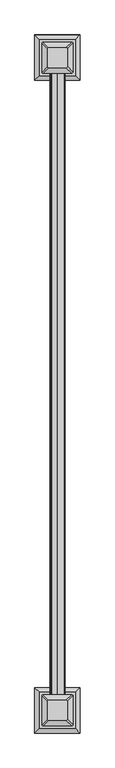
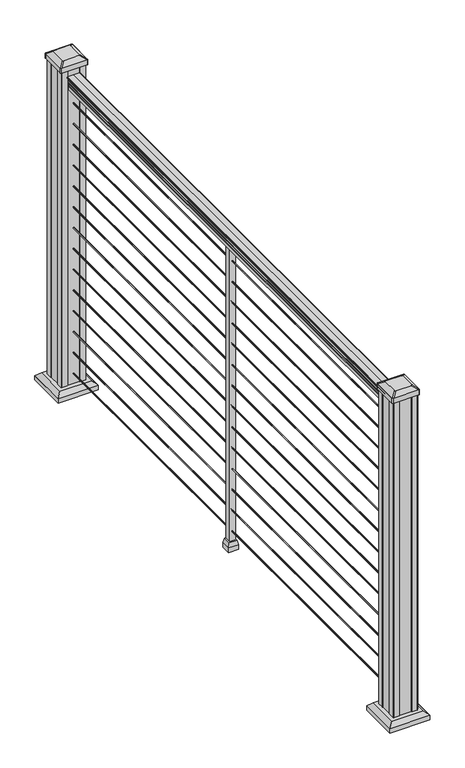
"""IFC4 building model written with IfcOpenShell, lengths in millimetres: railing geometry."""

from ifc_helpers import new_model, si_unit, point, frame, frame_2d, origin, origin_with_axes, place, context, project, spatial, polyline, circle_curve, trimmed, segment, composite_curve, outline, extrude, faceted_brep, source, transform, mapped, element, save
from ifc_brep_helpers import plane_surface, extruded_surface, advanced_brep


def railing_53ca7808(model_context):
    return source(origin(), model_context, "Body", "SolidModel", [
        extrude(outline(composite_curve([segment(trimmed(circle_curve(frame_2d((1090.8043297, 1987.4195636)), 1.2869144), [point((1090.8043297, 1986.1326492))], [point((1090.8043297, 1988.7064779))], False, "CARTESIAN"), True, "CONTINUOUS"), segment(polyline([(1090.8043297, 1988.7064779), (1080.147013, 1988.7064779), (1079.131013, 1987.6904779), (1066.8, 1987.6904779), (1066.8, 2019.4404779), (1079.2888283, 2019.4404779), (1080.3048283, 2018.4244779), (1090.8043297, 2018.4244779)]), True, "CONTINUOUS"), segment(trimmed(circle_curve(frame_2d((1090.8043297, 2019.7113923)), 1.2869144), [point((1090.8043297, 2018.4244779))], [point((1090.8043297, 2020.9983067))], False, "CARTESIAN"), True, "CONTINUOUS"), segment(polyline([(1090.8043297, 2020.9983067), (1092.692412, 2020.9983067)]), True, "CONTINUOUS"), segment(trimmed(circle_curve(frame_2d((1098.4506383, 2014.6835534)), 8.545951), [point((1092.692412, 2020.9983067))], [point((1094.2546695, 2022.128493))], False, "CARTESIAN"), True, "CONTINUOUS"), segment(trimmed(circle_curve(frame_2d((1097.8636577, 2015.1206164)), 7.882584), [point((1094.2546695, 2022.128493))], [point((1101.4726458, 2022.128493))], False, "CARTESIAN"), True, "CONTINUOUS"), segment(trimmed(circle_curve(frame_2d((1103.7112527, 2025.6339405)), 4.1592695), [point((1101.4726458, 2022.128493))], [point((1103.9060812, 2021.4792366))], True, "CARTESIAN"), True, "CONTINUOUS"), segment(trimmed(circle_curve(frame_2d((1103.6508864, 2026.921247)), 5.4479907), [point((1103.9060812, 2021.4792366))], [point((1108.2362083, 2023.9792366))], True, "CARTESIAN"), True, "CONTINUOUS"), segment(trimmed(circle_curve(frame_2d((1108.233395, 2025.6880886)), 1.7088543), [point((1108.2362083, 2023.9792366))], [point((1109.9157972, 2025.388579))], True, "CARTESIAN"), True, "CONTINUOUS"), segment(trimmed(circle_curve(frame_2d((1111.0205318, 2024.0711885)), 1.7192895), [point((1109.9157972, 2025.388579))], [point((1111.0205318, 2025.790478))], False, "CARTESIAN"), True, "CONTINUOUS"), segment(polyline([(1111.0205318, 2025.790478), (1112.3608158, 2025.7904779)]), True, "CONTINUOUS"), segment(trimmed(circle_curve(frame_2d((1112.3608158, 2024.2370307)), 1.5534472), [point((1112.3608158, 2025.7904779))], [point((1113.914263, 2024.2370307))], False, "CARTESIAN"), True, "CONTINUOUS"), segment(polyline([(1113.914263, 2024.2370307), (1113.914263, 2003.5654779), (1113.914263, 1982.8939252)]), True, "CONTINUOUS"), segment(trimmed(circle_curve(frame_2d((1112.3608158, 1982.8939252)), 1.5534472), [point((1113.914263, 1982.8939252))], [point((1112.3608158, 1981.3404779))], False, "CARTESIAN"), True, "CONTINUOUS"), segment(polyline([(1112.3608158, 1981.3404779), (1111.0205318, 1981.3404779)]), True, "CONTINUOUS"), segment(trimmed(circle_curve(frame_2d((1111.0205318, 1983.0597674)), 1.7192895), [point((1111.0205318, 1981.3404779))], [point((1109.9157972, 1981.7423769))], False, "CARTESIAN"), True, "CONTINUOUS"), segment(trimmed(circle_curve(frame_2d((1108.233395, 1981.4428673)), 1.7088543), [point((1109.9157972, 1981.7423769))], [point((1108.2362083, 1983.1517193))], True, "CARTESIAN"), True, "CONTINUOUS"), segment(trimmed(circle_curve(frame_2d((1103.6508864, 1980.2097088)), 5.4479907), [point((1108.2362083, 1983.1517193))], [point((1103.9060812, 1985.6517193))], True, "CARTESIAN"), True, "CONTINUOUS"), segment(trimmed(circle_curve(frame_2d((1103.7112527, 1981.4970154)), 4.1592695), [point((1103.9060812, 1985.6517193))], [point((1101.4726458, 1985.0024629))], True, "CARTESIAN"), True, "CONTINUOUS"), segment(trimmed(circle_curve(frame_2d((1097.8636577, 1992.0103395)), 7.882584), [point((1101.4726458, 1985.0024629))], [point((1094.2546695, 1985.0024629))], False, "CARTESIAN"), True, "CONTINUOUS"), segment(trimmed(circle_curve(frame_2d((1098.4506383, 1992.4474025)), 8.545951), [point((1094.2546695, 1985.0024629))], [point((1092.692412, 1986.1326492))], False, "CARTESIAN"), True, "CONTINUOUS"), segment(polyline([(1092.692412, 1986.1326492), (1090.8043297, 1986.1326492)]), True, "CONTINUOUS")], self_intersect=False)), frame((0.0, -97248.9733589, 0.0), z_axis=(0.0, 1.0, 0.0), x_axis=(0.0, 0.0, 1.0)), (0.0, 0.0, 1.0), 1828.8),
        extrude(outline(composite_curve([segment(trimmed(circle_curve(frame_2d((65.024, 2003.5654779)), 1.5875), [point((65.024, 2005.1529779))], [point((66.6115, 2003.5654779))], False, "CARTESIAN"), True, "CONTINUOUS"), segment(trimmed(circle_curve(frame_2d((65.024, 2003.5654779)), 1.5875), [point((66.6115, 2003.5654779))], [point((65.024, 2001.9779779))], False, "CARTESIAN"), True, "CONTINUOUS"), segment(trimmed(circle_curve(frame_2d((65.024, 2003.5654779)), 1.5875), [point((65.024, 2001.9779779))], [point((63.4365, 2003.5654779))], False, "CARTESIAN"), True, "CONTINUOUS"), segment(trimmed(circle_curve(frame_2d((65.024, 2003.5654779)), 1.5875), [point((63.4365, 2003.5654779))], [point((65.024, 2005.1529779))], False, "CARTESIAN"), True, "CONTINUOUS")], self_intersect=False)), frame((0.0, -97248.9733589, 0.0), z_axis=(0.0, 1.0, 0.0), x_axis=(0.0, 0.0, 1.0)), (0.0, 0.0, 1.0), 1828.8),
        extrude(outline(composite_curve([segment(trimmed(circle_curve(frame_2d((138.176, 2003.5654779)), 1.5875), [point((138.176, 2005.1529779))], [point((139.7635, 2003.5654779))], False, "CARTESIAN"), True, "CONTINUOUS"), segment(trimmed(circle_curve(frame_2d((138.176, 2003.5654779)), 1.5875), [point((139.7635, 2003.5654779))], [point((138.176, 2001.9779779))], False, "CARTESIAN"), True, "CONTINUOUS"), segment(trimmed(circle_curve(frame_2d((138.176, 2003.5654779)), 1.5875), [point((138.176, 2001.9779779))], [point((136.5885, 2003.5654779))], False, "CARTESIAN"), True, "CONTINUOUS"), segment(trimmed(circle_curve(frame_2d((138.176, 2003.5654779)), 1.5875), [point((136.5885, 2003.5654779))], [point((138.176, 2005.1529779))], False, "CARTESIAN"), True, "CONTINUOUS")], self_intersect=False)), frame((0.0, -97248.9733589, 0.0), z_axis=(0.0, 1.0, 0.0), x_axis=(0.0, 0.0, 1.0)), (0.0, 0.0, 1.0), 1828.8),
        extrude(outline(composite_curve([segment(trimmed(circle_curve(frame_2d((211.074, 2003.5654779)), 1.5875), [point((211.074, 2005.1529779))], [point((212.6615, 2003.5654779))], False, "CARTESIAN"), True, "CONTINUOUS"), segment(trimmed(circle_curve(frame_2d((211.074, 2003.5654779)), 1.5875), [point((212.6615, 2003.5654779))], [point((211.074, 2001.9779779))], False, "CARTESIAN"), True, "CONTINUOUS"), segment(trimmed(circle_curve(frame_2d((211.074, 2003.5654779)), 1.5875), [point((211.074, 2001.9779779))], [point((209.4865, 2003.5654779))], False, "CARTESIAN"), True, "CONTINUOUS"), segment(trimmed(circle_curve(frame_2d((211.074, 2003.5654779)), 1.5875), [point((209.4865, 2003.5654779))], [point((211.074, 2005.1529779))], False, "CARTESIAN"), True, "CONTINUOUS")], self_intersect=False)), frame((0.0, -97248.9733589, 0.0), z_axis=(0.0, 1.0, 0.0), x_axis=(0.0, 0.0, 1.0)), (0.0, 0.0, 1.0), 1828.8),
        extrude(outline(composite_curve([segment(trimmed(circle_curve(frame_2d((284.226, 2003.5654779)), 1.5875), [point((284.226, 2005.1529779))], [point((285.8135, 2003.5654779))], False, "CARTESIAN"), True, "CONTINUOUS"), segment(trimmed(circle_curve(frame_2d((284.226, 2003.5654779)), 1.5875), [point((285.8135, 2003.5654779))], [point((284.226, 2001.9779779))], False, "CARTESIAN"), True, "CONTINUOUS"), segment(trimmed(circle_curve(frame_2d((284.226, 2003.5654779)), 1.5875), [point((284.226, 2001.9779779))], [point((282.6385, 2003.5654779))], False, "CARTESIAN"), True, "CONTINUOUS"), segment(trimmed(circle_curve(frame_2d((284.226, 2003.5654779)), 1.5875), [point((282.6385, 2003.5654779))], [point((284.226, 2005.1529779))], False, "CARTESIAN"), True, "CONTINUOUS")], self_intersect=False)), frame((0.0, -97248.9733589, 0.0), z_axis=(0.0, 1.0, 0.0), x_axis=(0.0, 0.0, 1.0)), (0.0, 0.0, 1.0), 1828.8),
        extrude(outline(composite_curve([segment(trimmed(circle_curve(frame_2d((357.124, 2003.5654779)), 1.5875), [point((357.124, 2005.1529779))], [point((358.7115, 2003.5654779))], False, "CARTESIAN"), True, "CONTINUOUS"), segment(trimmed(circle_curve(frame_2d((357.124, 2003.5654779)), 1.5875), [point((358.7115, 2003.5654779))], [point((357.124, 2001.9779779))], False, "CARTESIAN"), True, "CONTINUOUS"), segment(trimmed(circle_curve(frame_2d((357.124, 2003.5654779)), 1.5875), [point((357.124, 2001.9779779))], [point((355.5365, 2003.5654779))], False, "CARTESIAN"), True, "CONTINUOUS"), segment(trimmed(circle_curve(frame_2d((357.124, 2003.5654779)), 1.5875), [point((355.5365, 2003.5654779))], [point((357.124, 2005.1529779))], False, "CARTESIAN"), True, "CONTINUOUS")], self_intersect=False)), frame((0.0, -97248.9733589, 0.0), z_axis=(0.0, 1.0, 0.0), x_axis=(0.0, 0.0, 1.0)), (0.0, 0.0, 1.0), 1828.8),
        extrude(outline(composite_curve([segment(trimmed(circle_curve(frame_2d((430.276, 2003.5654779)), 1.5875), [point((430.276, 2005.1529779))], [point((431.8635, 2003.5654779))], False, "CARTESIAN"), True, "CONTINUOUS"), segment(trimmed(circle_curve(frame_2d((430.276, 2003.5654779)), 1.5875), [point((431.8635, 2003.5654779))], [point((430.276, 2001.9779779))], False, "CARTESIAN"), True, "CONTINUOUS"), segment(trimmed(circle_curve(frame_2d((430.276, 2003.5654779)), 1.5875), [point((430.276, 2001.9779779))], [point((428.6885, 2003.5654779))], False, "CARTESIAN"), True, "CONTINUOUS"), segment(trimmed(circle_curve(frame_2d((430.276, 2003.5654779)), 1.5875), [point((428.6885, 2003.5654779))], [point((430.276, 2005.1529779))], False, "CARTESIAN"), True, "CONTINUOUS")], self_intersect=False)), frame((0.0, -97248.9733589, 0.0), z_axis=(0.0, 1.0, 0.0), x_axis=(0.0, 0.0, 1.0)), (0.0, 0.0, 1.0), 1828.8),
        extrude(outline(composite_curve([segment(trimmed(circle_curve(frame_2d((503.174, 2003.5654779)), 1.5875), [point((503.174, 2005.1529779))], [point((504.7615, 2003.5654779))], False, "CARTESIAN"), True, "CONTINUOUS"), segment(trimmed(circle_curve(frame_2d((503.174, 2003.5654779)), 1.5875), [point((504.7615, 2003.5654779))], [point((503.174, 2001.9779779))], False, "CARTESIAN"), True, "CONTINUOUS"), segment(trimmed(circle_curve(frame_2d((503.174, 2003.5654779)), 1.5875), [point((503.174, 2001.9779779))], [point((501.5865, 2003.5654779))], False, "CARTESIAN"), True, "CONTINUOUS"), segment(trimmed(circle_curve(frame_2d((503.174, 2003.5654779)), 1.5875), [point((501.5865, 2003.5654779))], [point((503.174, 2005.1529779))], False, "CARTESIAN"), True, "CONTINUOUS")], self_intersect=False)), frame((0.0, -97248.9733589, 0.0), z_axis=(0.0, 1.0, 0.0), x_axis=(0.0, 0.0, 1.0)), (0.0, 0.0, 1.0), 1828.8),
        extrude(outline(composite_curve([segment(trimmed(circle_curve(frame_2d((576.326, 2003.5654779)), 1.5875), [point((576.326, 2005.1529779))], [point((577.9135, 2003.5654779))], False, "CARTESIAN"), True, "CONTINUOUS"), segment(trimmed(circle_curve(frame_2d((576.326, 2003.5654779)), 1.5875), [point((577.9135, 2003.5654779))], [point((576.326, 2001.9779779))], False, "CARTESIAN"), True, "CONTINUOUS"), segment(trimmed(circle_curve(frame_2d((576.326, 2003.5654779)), 1.5875), [point((576.326, 2001.9779779))], [point((574.7385, 2003.5654779))], False, "CARTESIAN"), True, "CONTINUOUS"), segment(trimmed(circle_curve(frame_2d((576.326, 2003.5654779)), 1.5875), [point((574.7385, 2003.5654779))], [point((576.326, 2005.1529779))], False, "CARTESIAN"), True, "CONTINUOUS")], self_intersect=False)), frame((0.0, -97248.9733589, 0.0), z_axis=(0.0, 1.0, 0.0), x_axis=(0.0, 0.0, 1.0)), (0.0, 0.0, 1.0), 1828.8),
        extrude(outline(composite_curve([segment(trimmed(circle_curve(frame_2d((649.224, 2003.5654779)), 1.5875), [point((649.224, 2005.1529779))], [point((650.8115, 2003.5654779))], False, "CARTESIAN"), True, "CONTINUOUS"), segment(trimmed(circle_curve(frame_2d((649.224, 2003.5654779)), 1.5875), [point((650.8115, 2003.5654779))], [point((649.224, 2001.9779779))], False, "CARTESIAN"), True, "CONTINUOUS"), segment(trimmed(circle_curve(frame_2d((649.224, 2003.5654779)), 1.5875), [point((649.224, 2001.9779779))], [point((647.6365, 2003.5654779))], False, "CARTESIAN"), True, "CONTINUOUS"), segment(trimmed(circle_curve(frame_2d((649.224, 2003.5654779)), 1.5875), [point((647.6365, 2003.5654779))], [point((649.224, 2005.1529779))], False, "CARTESIAN"), True, "CONTINUOUS")], self_intersect=False)), frame((0.0, -97248.9733589, 0.0), z_axis=(0.0, 1.0, 0.0), x_axis=(0.0, 0.0, 1.0)), (0.0, 0.0, 1.0), 1828.8),
        extrude(outline(composite_curve([segment(trimmed(circle_curve(frame_2d((722.376, 2003.5654779)), 1.5875), [point((722.376, 2005.1529779))], [point((723.9635, 2003.5654779))], False, "CARTESIAN"), True, "CONTINUOUS"), segment(trimmed(circle_curve(frame_2d((722.376, 2003.5654779)), 1.5875), [point((723.9635, 2003.5654779))], [point((722.376, 2001.9779779))], False, "CARTESIAN"), True, "CONTINUOUS"), segment(trimmed(circle_curve(frame_2d((722.376, 2003.5654779)), 1.5875), [point((722.376, 2001.9779779))], [point((720.7885, 2003.5654779))], False, "CARTESIAN"), True, "CONTINUOUS"), segment(trimmed(circle_curve(frame_2d((722.376, 2003.5654779)), 1.5875), [point((720.7885, 2003.5654779))], [point((722.376, 2005.1529779))], False, "CARTESIAN"), True, "CONTINUOUS")], self_intersect=False)), frame((0.0, -97248.9733589, 0.0), z_axis=(0.0, 1.0, 0.0), x_axis=(0.0, 0.0, 1.0)), (0.0, 0.0, 1.0), 1828.8),
        extrude(outline(composite_curve([segment(trimmed(circle_curve(frame_2d((795.274, 2003.5654779)), 1.5875), [point((795.274, 2005.1529779))], [point((796.8615, 2003.5654779))], False, "CARTESIAN"), True, "CONTINUOUS"), segment(trimmed(circle_curve(frame_2d((795.274, 2003.5654779)), 1.5875), [point((796.8615, 2003.5654779))], [point((795.274, 2001.9779779))], False, "CARTESIAN"), True, "CONTINUOUS"), segment(trimmed(circle_curve(frame_2d((795.274, 2003.5654779)), 1.5875), [point((795.274, 2001.9779779))], [point((793.6865, 2003.5654779))], False, "CARTESIAN"), True, "CONTINUOUS"), segment(trimmed(circle_curve(frame_2d((795.274, 2003.5654779)), 1.5875), [point((793.6865, 2003.5654779))], [point((795.274, 2005.1529779))], False, "CARTESIAN"), True, "CONTINUOUS")], self_intersect=False)), frame((0.0, -97248.9733589, 0.0), z_axis=(0.0, 1.0, 0.0), x_axis=(0.0, 0.0, 1.0)), (0.0, 0.0, 1.0), 1828.8),
        extrude(outline(composite_curve([segment(trimmed(circle_curve(frame_2d((868.426, 2003.5654779)), 1.5875), [point((868.426, 2005.1529779))], [point((870.0135, 2003.5654779))], False, "CARTESIAN"), True, "CONTINUOUS"), segment(trimmed(circle_curve(frame_2d((868.426, 2003.5654779)), 1.5875), [point((870.0135, 2003.5654779))], [point((868.426, 2001.9779779))], False, "CARTESIAN"), True, "CONTINUOUS"), segment(trimmed(circle_curve(frame_2d((868.426, 2003.5654779)), 1.5875), [point((868.426, 2001.9779779))], [point((866.8385, 2003.5654779))], False, "CARTESIAN"), True, "CONTINUOUS"), segment(trimmed(circle_curve(frame_2d((868.426, 2003.5654779)), 1.5875), [point((866.8385, 2003.5654779))], [point((868.426, 2005.1529779))], False, "CARTESIAN"), True, "CONTINUOUS")], self_intersect=False)), frame((0.0, -97248.9733589, 0.0), z_axis=(0.0, 1.0, 0.0), x_axis=(0.0, 0.0, 1.0)), (0.0, 0.0, 1.0), 1828.8),
        extrude(outline(composite_curve([segment(trimmed(circle_curve(frame_2d((941.324, 2003.5654779)), 1.5875), [point((941.324, 2005.1529779))], [point((942.9115, 2003.5654779))], False, "CARTESIAN"), True, "CONTINUOUS"), segment(trimmed(circle_curve(frame_2d((941.324, 2003.5654779)), 1.5875), [point((942.9115, 2003.5654779))], [point((941.324, 2001.9779779))], False, "CARTESIAN"), True, "CONTINUOUS"), segment(trimmed(circle_curve(frame_2d((941.324, 2003.5654779)), 1.5875), [point((941.324, 2001.9779779))], [point((939.7365, 2003.5654779))], False, "CARTESIAN"), True, "CONTINUOUS"), segment(trimmed(circle_curve(frame_2d((941.324, 2003.5654779)), 1.5875), [point((939.7365, 2003.5654779))], [point((941.324, 2005.1529779))], False, "CARTESIAN"), True, "CONTINUOUS")], self_intersect=False)), frame((0.0, -97248.9733589, 0.0), z_axis=(0.0, 1.0, 0.0), x_axis=(0.0, 0.0, 1.0)), (0.0, 0.0, 1.0), 1828.8),
        extrude(outline(composite_curve([segment(trimmed(circle_curve(frame_2d((1014.476, 2003.5654779)), 1.5875), [point((1014.476, 2005.1529779))], [point((1016.0635, 2003.5654779))], False, "CARTESIAN"), True, "CONTINUOUS"), segment(trimmed(circle_curve(frame_2d((1014.476, 2003.5654779)), 1.5875), [point((1016.0635, 2003.5654779))], [point((1014.476, 2001.9779779))], False, "CARTESIAN"), True, "CONTINUOUS"), segment(trimmed(circle_curve(frame_2d((1014.476, 2003.5654779)), 1.5875), [point((1014.476, 2001.9779779))], [point((1012.8885, 2003.5654779))], False, "CARTESIAN"), True, "CONTINUOUS"), segment(trimmed(circle_curve(frame_2d((1014.476, 2003.5654779)), 1.5875), [point((1012.8885, 2003.5654779))], [point((1014.476, 2005.1529779))], False, "CARTESIAN"), True, "CONTINUOUS")], self_intersect=False)), frame((0.0, -97248.9733589, 0.0), z_axis=(0.0, 1.0, 0.0), x_axis=(0.0, 0.0, 1.0)), (0.0, 0.0, 1.0), 1828.8),
        faceted_brep([(1990.8654779, -96337.6213589, 32.1497081), (2016.2654779, -96337.6213589, 32.1497081), (2016.2654779, -96312.2213589, 32.1497081), (1990.8654779, -96312.2213589, 32.1497081), (1987.6904779, -96340.7963589, 16.2747081), (1987.6904779, -96309.0463589, 16.2747081), (2019.4404779, -96309.0463589, 16.2747081), (2019.4404779, -96340.7963589, 16.2747081)], [[[0, 1, 2, 3]], [[4, 5, 6, 7]], [[4, 7, 1, 0]], [[7, 6, 2, 1]], [[6, 5, 3, 2]], [[5, 4, 0, 3]]]),
        extrude(outline(polyline([(1987.6904779, -96340.7963589), (1987.6904779, -96309.0463589), (2019.4404779, -96309.0463589), (2019.4404779, -96340.7963589), (1987.6904779, -96340.7963589)])), origin_with_axes(), (0.0, 0.0, 1.0), 16.2747081),
        extrude(outline(polyline([(1994.0404779, -96334.4463589), (1994.0404779, -96315.3963589), (2013.0904779, -96315.3963589), (2013.0904779, -96334.4463589), (1994.0404779, -96334.4463589)])), origin_with_axes(), (0.0, 0.0, 1.0), 1066.8),
        faceted_brep([(1950.9795404, -95431.3572964, 28.575), (2056.1514154, -95431.3572964, 28.575), (2056.1514154, -95326.1854214, 28.575), (1950.9795404, -95326.1854214, 28.575), (1936.9400873, -95445.3967496, 15.24), (1936.9400873, -95312.1459683, 15.24), (2070.1908686, -95312.1459683, 15.24), (2070.1908686, -95445.3967496, 15.24)], [[[0, 1, 2, 3]], [[4, 5, 6, 7]], [[4, 7, 1, 0]], [[7, 6, 2, 1]], [[6, 5, 3, 2]], [[5, 4, 0, 3]]]),
        extrude(outline(polyline([(1936.9400873, -95445.3967496), (1936.9400873, -95312.1459683), (2070.1908686, -95312.1459683), (2070.1908686, -95445.3967496), (1936.9400873, -95445.3967496)])), origin_with_axes(), (0.0, 0.0, 1.0), 15.24),
        advanced_brep(
        [(2029.3623529, -95407.7432339, 1165.225), (2032.5373529, -95404.5682339, 1165.225), (2032.5373529, -95352.9744839, 1165.225), (2029.3623529, -95349.7994839, 1165.225), (1977.7686029, -95349.7994839, 1165.225), (1974.5936029, -95352.9744839, 1165.225), (1974.5936029, -95404.5682339, 1165.225), (1977.7686029, -95407.7432339, 1165.225), (2045.6342279, -95424.0151089, 1153.922), (1961.4967279, -95424.0151089, 1153.922), (1958.3217279, -95420.8401089, 1153.922), (1958.3217279, -95336.7026089, 1153.922), (1961.4967279, -95333.5276089, 1153.922), (2045.6342279, -95333.5276089, 1153.922), (2048.8092279, -95336.7026089, 1153.922), (2048.8092279, -95420.8401089, 1153.922)],
        [
            (0, 1, circle_curve(frame((2029.3623529, -95404.5682339, 1165.225), z_axis=(0.0, 0.0, 1.0), x_axis=(0.0, 1.0, 0.0)), 3.175)),
            (1, 2),
            (2, 3, circle_curve(frame((2029.3623529, -95352.9744839, 1165.225), z_axis=(0.0, 0.0, 1.0), x_axis=(0.0, 1.0, 0.0)), 3.175)),
            (3, 4),
            (4, 5, circle_curve(frame((1977.7686029, -95352.9744839, 1165.225), z_axis=(0.0, 0.0, 1.0), x_axis=(0.0, 1.0, 0.0)), 3.175)),
            (5, 6),
            (6, 7, circle_curve(frame((1977.7686029, -95404.5682339, 1165.225), z_axis=(0.0, 0.0, 1.0), x_axis=(0.0, 1.0, 0.0)), 3.175)),
            (7, 0),
            (8, 9),
            (9, 10, circle_curve(frame((1961.4967279, -95420.8401089, 1153.922), z_axis=(0.0, 0.0, -1.0), x_axis=(0.0, 1.0, 0.0)), 3.175)),
            (10, 11),
            (11, 12, circle_curve(frame((1961.4967279, -95336.7026089, 1153.922), z_axis=(0.0, 0.0, -1.0), x_axis=(0.0, 1.0, 0.0)), 3.175)),
            (12, 13),
            (13, 14, circle_curve(frame((2045.6342279, -95336.7026089, 1153.922), z_axis=(0.0, 0.0, -1.0), x_axis=(0.0, 1.0, 0.0)), 3.175)),
            (14, 15),
            (15, 8, circle_curve(frame((2045.6342279, -95420.8401089, 1153.922), z_axis=(0.0, 0.0, -1.0), x_axis=(0.0, 1.0, 0.0)), 3.175)),
            (15, 1),
            (0, 8),
            (14, 2),
            (13, 3),
            (12, 4),
            (11, 5),
            (10, 6),
            (9, 7),
        ],
        [
            plane_surface(frame((2003.5654779, -95378.7713589, 1165.225), z_axis=(0.0, 0.0, 1.0), x_axis=(1.0, 0.0, 0.0))),
            plane_surface(frame((2003.5654779, -95378.7713589, 1153.922), z_axis=(0.0, 0.0, -1.0), x_axis=(1.0, 0.0, 0.0))),
            extruded_surface(trimmed(circle_curve(frame((2045.6342279, -95420.8401089, 1153.922), z_axis=(0.0, 0.0, 1.0), x_axis=(0.0, 1.0, 0.0)), 3.175), [point((2045.6342279, -95424.0151089, 1153.922))], [point((2048.8092279, -95420.8401089, 1153.922))], True, "CARTESIAN"), (-16.271875000000136, 16.27187499999127, 11.302999999999884), 25.637972638860656),
            plane_surface(frame((2048.8092279, -95378.7713589, 1153.922), z_axis=(0.5705009161540777, 0.0, 0.8212969649690409), x_axis=(0.0, 1.0, 0.0))),
            extruded_surface(trimmed(circle_curve(frame((2045.6342279, -95336.7026089, 1153.922), z_axis=(0.0, 0.0, 1.0), x_axis=(0.0, 1.0, 0.0)), 3.175), [point((2048.8092279, -95336.7026089, 1153.922))], [point((2045.6342279, -95333.5276089, 1153.922))], True, "CARTESIAN"), (-16.271875000000136, -16.27187500000582, 11.302999999999884), 25.637972638869893),
            plane_surface(frame((2003.5654779, -95333.5276089, 1153.922), z_axis=(0.0, 0.5705009161540291, 0.8212969649690747), x_axis=(-1.0, 0.0, 0.0))),
            extruded_surface(trimmed(circle_curve(frame((1961.4967279, -95336.7026089, 1153.922), z_axis=(0.0, 0.0, 1.0), x_axis=(0.0, 1.0, 0.0)), 3.175), [point((1961.4967279, -95333.5276089, 1153.922))], [point((1958.3217279, -95336.7026089, 1153.922))], True, "CARTESIAN"), (16.27187499999991, -16.27187500000582, 11.302999999999884), 25.637972638869748),
            plane_surface(frame((1958.3217279, -95378.7713589, 1153.922), z_axis=(-0.5705009161540143, 0.0, 0.821296964969085), x_axis=(0.0, -1.0, 0.0))),
            extruded_surface(trimmed(circle_curve(frame((1961.4967279, -95420.8401089, 1153.922), z_axis=(0.0, 0.0, 1.0), x_axis=(0.0, 1.0, 0.0)), 3.175), [point((1958.3217279, -95420.8401089, 1153.922))], [point((1961.4967279, -95424.0151089, 1153.922))], True, "CARTESIAN"), (16.27187499999991, 16.27187499999127, 11.302999999999884), 25.63797263886051),
            plane_surface(frame((2003.5654779, -95424.0151089, 1153.922), z_axis=(0.0, -0.570500916154034, 0.8212969649690713), x_axis=(1.0, 0.0, 0.0))),
        ],
        [
            (0, [[1, 2, 3, 4, 5, 6, 7, 8]]),
            (1, [[9, 10, 11, 12, 13, 14, 15, 16]]),
            (2, [[-16, 17, -1, 18]]),
            (3, [[-15, 19, -2, -17]]),
            (4, [[-14, 20, -3, -19]]),
            (5, [[-13, 21, -4, -20]]),
            (6, [[-12, 22, -5, -21]]),
            (7, [[-11, 23, -6, -22]]),
            (8, [[-10, 24, -7, -23]]),
            (9, [[-9, -18, -8, -24]]),
        ],
    ),
        extrude(outline(composite_curve([segment(polyline([(2045.6342279, -95424.0151089), (1961.4967279, -95424.0151089)]), True, "CONTINUOUS"), segment(trimmed(circle_curve(frame_2d((1961.4967279, -95420.8401089)), 3.175), [point((1961.4967279, -95424.0151089))], [point((1958.3217279, -95420.8401089))], False, "CARTESIAN"), True, "CONTINUOUS"), segment(polyline([(1958.3217279, -95420.8401089), (1958.3217279, -95336.7026089)]), True, "CONTINUOUS"), segment(trimmed(circle_curve(frame_2d((1961.4967279, -95336.7026089)), 3.175), [point((1958.3217279, -95336.7026089))], [point((1961.4967279, -95333.5276089))], False, "CARTESIAN"), True, "CONTINUOUS"), segment(polyline([(1961.4967279, -95333.5276089), (2045.6342279, -95333.5276089)]), True, "CONTINUOUS"), segment(trimmed(circle_curve(frame_2d((2045.6342279, -95336.7026089)), 3.175), [point((2045.6342279, -95333.5276089))], [point((2048.8092279, -95336.7026089))], False, "CARTESIAN"), True, "CONTINUOUS"), segment(polyline([(2048.8092279, -95336.7026089), (2048.8092279, -95420.8401089)]), True, "CONTINUOUS"), segment(trimmed(circle_curve(frame_2d((2045.6342279, -95420.8401089)), 3.175), [point((2048.8092279, -95420.8401089))], [point((2045.6342279, -95424.0151089))], False, "CARTESIAN"), True, "CONTINUOUS")], self_intersect=False)), frame((0.0, 0.0, 1136.65), z_axis=(0.0, 0.0, 1.0), x_axis=(1.0, 0.0, 0.0)), (0.0, 0.0, 1.0), 17.272),
        extrude(outline(polyline([(2043.2529779, -95420.0463589), (2023.6314779, -95420.0463589), (2022.8694779, -95418.4588589), (1984.2614779, -95418.4588589), (1983.4994779, -95420.0463589), (1963.8779779, -95420.0463589), (1962.2904779, -95418.4588589), (1962.2904779, -95398.8373589), (1963.8779779, -95398.0753589), (1963.8779779, -95359.4673589), (1962.2904779, -95358.7053589), (1962.2904779, -95339.0838589), (1963.8779779, -95337.4963589), (1983.4994779, -95337.4963589), (1984.2614779, -95339.0838589), (2022.8694779, -95339.0838589), (2023.6314779, -95337.4963589), (2043.2529779, -95337.4963589), (2044.8404779, -95339.0838589), (2044.8404779, -95358.7053589), (2043.2529779, -95359.4673589), (2043.2529779, -95398.0753589), (2044.8404779, -95398.8373589), (2044.8404779, -95418.4588589), (2043.2529779, -95420.0463589)])), origin_with_axes(), (0.0, 0.0, 1.0), 1136.65),
        faceted_brep([(1950.9795404, -97342.9612964, 28.575), (2056.1514154, -97342.9612964, 28.575), (2056.1514154, -97237.7894214, 28.575), (1950.9795404, -97237.7894214, 28.575), (1936.9400873, -97357.0007496, 15.24), (1936.9400873, -97223.7499683, 15.24), (2070.1908686, -97223.7499683, 15.24), (2070.1908686, -97357.0007496, 15.24)], [[[0, 1, 2, 3]], [[4, 5, 6, 7]], [[4, 7, 1, 0]], [[7, 6, 2, 1]], [[6, 5, 3, 2]], [[5, 4, 0, 3]]]),
        extrude(outline(polyline([(1936.9400873, -97357.0007496), (1936.9400873, -97223.7499683), (2070.1908686, -97223.7499683), (2070.1908686, -97357.0007496), (1936.9400873, -97357.0007496)])), origin_with_axes(), (0.0, 0.0, 1.0), 15.24),
        advanced_brep(
        [(2029.3623529, -97319.3472339, 1165.225), (2032.5373529, -97316.1722339, 1165.225), (2032.5373529, -97264.5784839, 1165.225), (2029.3623529, -97261.4034839, 1165.225), (1977.7686029, -97261.4034839, 1165.225), (1974.5936029, -97264.5784839, 1165.225), (1974.5936029, -97316.1722339, 1165.225), (1977.7686029, -97319.3472339, 1165.225), (2045.6342279, -97335.6191089, 1153.922), (1961.4967279, -97335.6191089, 1153.922), (1958.3217279, -97332.4441089, 1153.922), (1958.3217279, -97248.3066089, 1153.922), (1961.4967279, -97245.1316089, 1153.922), (2045.6342279, -97245.1316089, 1153.922), (2048.8092279, -97248.3066089, 1153.922), (2048.8092279, -97332.4441089, 1153.922)],
        [
            (0, 1, circle_curve(frame((2029.3623529, -97316.1722339, 1165.225), z_axis=(0.0, 0.0, 1.0), x_axis=(0.0, 1.0, 0.0)), 3.175)),
            (1, 2),
            (2, 3, circle_curve(frame((2029.3623529, -97264.5784839, 1165.225), z_axis=(0.0, 0.0, 1.0), x_axis=(0.0, 1.0, 0.0)), 3.175)),
            (3, 4),
            (4, 5, circle_curve(frame((1977.7686029, -97264.5784839, 1165.225), z_axis=(0.0, 0.0, 1.0), x_axis=(0.0, 1.0, 0.0)), 3.175)),
            (5, 6),
            (6, 7, circle_curve(frame((1977.7686029, -97316.1722339, 1165.225), z_axis=(0.0, 0.0, 1.0), x_axis=(0.0, 1.0, 0.0)), 3.175)),
            (7, 0),
            (8, 9),
            (9, 10, circle_curve(frame((1961.4967279, -97332.4441089, 1153.922), z_axis=(0.0, 0.0, -1.0), x_axis=(0.0, 1.0, 0.0)), 3.175)),
            (10, 11),
            (11, 12, circle_curve(frame((1961.4967279, -97248.3066089, 1153.922), z_axis=(0.0, 0.0, -1.0), x_axis=(0.0, 1.0, 0.0)), 3.175)),
            (12, 13),
            (13, 14, circle_curve(frame((2045.6342279, -97248.3066089, 1153.922), z_axis=(0.0, 0.0, -1.0), x_axis=(0.0, 1.0, 0.0)), 3.175)),
            (14, 15),
            (15, 8, circle_curve(frame((2045.6342279, -97332.4441089, 1153.922), z_axis=(0.0, 0.0, -1.0), x_axis=(0.0, 1.0, 0.0)), 3.175)),
            (15, 1),
            (0, 8),
            (14, 2),
            (13, 3),
            (12, 4),
            (11, 5),
            (10, 6),
            (9, 7),
        ],
        [
            plane_surface(frame((2003.5654779, -97290.3753589, 1165.225), z_axis=(0.0, 0.0, 1.0), x_axis=(1.0, 0.0, 0.0))),
            plane_surface(frame((2003.5654779, -97290.3753589, 1153.922), z_axis=(0.0, 0.0, -1.0), x_axis=(1.0, 0.0, 0.0))),
            extruded_surface(trimmed(circle_curve(frame((2045.6342279, -97332.4441089, 1153.922), z_axis=(0.0, 0.0, 1.0), x_axis=(0.0, 1.0, 0.0)), 3.175), [point((2045.6342279, -97335.6191089, 1153.922))], [point((2048.8092279, -97332.4441089, 1153.922))], True, "CARTESIAN"), (-16.271875000000136, 16.27187500000582, 11.302999999999884), 25.637972638869893),
            plane_surface(frame((2048.8092279, -97290.3753589, 1153.922), z_axis=(0.5705009161540777, 0.0, 0.8212969649690409), x_axis=(0.0, 1.0, 0.0))),
            extruded_surface(trimmed(circle_curve(frame((2045.6342279, -97248.3066089, 1153.922), z_axis=(0.0, 0.0, 1.0), x_axis=(0.0, 1.0, 0.0)), 3.175), [point((2048.8092279, -97248.3066089, 1153.922))], [point((2045.6342279, -97245.1316089, 1153.922))], True, "CARTESIAN"), (-16.271875000000136, -16.27187499999127, 11.302999999999884), 25.637972638860656),
            plane_surface(frame((2003.5654779, -97245.1316089, 1153.922), z_axis=(0.0, 0.5705009161540291, 0.8212969649690747), x_axis=(-1.0, 0.0, 0.0))),
            extruded_surface(trimmed(circle_curve(frame((1961.4967279, -97248.3066089, 1153.922), z_axis=(0.0, 0.0, 1.0), x_axis=(0.0, 1.0, 0.0)), 3.175), [point((1961.4967279, -97245.1316089, 1153.922))], [point((1958.3217279, -97248.3066089, 1153.922))], True, "CARTESIAN"), (16.27187499999991, -16.27187499999127, 11.302999999999884), 25.63797263886051),
            plane_surface(frame((1958.3217279, -97290.3753589, 1153.922), z_axis=(-0.5705009161540143, 0.0, 0.821296964969085), x_axis=(0.0, -1.0, 0.0))),
            extruded_surface(trimmed(circle_curve(frame((1961.4967279, -97332.4441089, 1153.922), z_axis=(0.0, 0.0, 1.0), x_axis=(0.0, 1.0, 0.0)), 3.175), [point((1958.3217279, -97332.4441089, 1153.922))], [point((1961.4967279, -97335.6191089, 1153.922))], True, "CARTESIAN"), (16.27187499999991, 16.27187500000582, 11.302999999999884), 25.637972638869748),
            plane_surface(frame((2003.5654779, -97335.6191089, 1153.922), z_axis=(0.0, -0.570500916154034, 0.8212969649690713), x_axis=(1.0, 0.0, 0.0))),
        ],
        [
            (0, [[1, 2, 3, 4, 5, 6, 7, 8]]),
            (1, [[9, 10, 11, 12, 13, 14, 15, 16]]),
            (2, [[-16, 17, -1, 18]]),
            (3, [[-15, 19, -2, -17]]),
            (4, [[-14, 20, -3, -19]]),
            (5, [[-13, 21, -4, -20]]),
            (6, [[-12, 22, -5, -21]]),
            (7, [[-11, 23, -6, -22]]),
            (8, [[-10, 24, -7, -23]]),
            (9, [[-9, -18, -8, -24]]),
        ],
    ),
        extrude(outline(composite_curve([segment(polyline([(2045.6342279, -97335.6191089), (1961.4967279, -97335.6191089)]), True, "CONTINUOUS"), segment(trimmed(circle_curve(frame_2d((1961.4967279, -97332.4441089)), 3.175), [point((1961.4967279, -97335.6191089))], [point((1958.3217279, -97332.4441089))], False, "CARTESIAN"), True, "CONTINUOUS"), segment(polyline([(1958.3217279, -97332.4441089), (1958.3217279, -97248.3066089)]), True, "CONTINUOUS"), segment(trimmed(circle_curve(frame_2d((1961.4967279, -97248.3066089)), 3.175), [point((1958.3217279, -97248.3066089))], [point((1961.4967279, -97245.1316089))], False, "CARTESIAN"), True, "CONTINUOUS"), segment(polyline([(1961.4967279, -97245.1316089), (2045.6342279, -97245.1316089)]), True, "CONTINUOUS"), segment(trimmed(circle_curve(frame_2d((2045.6342279, -97248.3066089)), 3.175), [point((2045.6342279, -97245.1316089))], [point((2048.8092279, -97248.3066089))], False, "CARTESIAN"), True, "CONTINUOUS"), segment(polyline([(2048.8092279, -97248.3066089), (2048.8092279, -97332.4441089)]), True, "CONTINUOUS"), segment(trimmed(circle_curve(frame_2d((2045.6342279, -97332.4441089)), 3.175), [point((2048.8092279, -97332.4441089))], [point((2045.6342279, -97335.6191089))], False, "CARTESIAN"), True, "CONTINUOUS")], self_intersect=False)), frame((0.0, 0.0, 1136.65), z_axis=(0.0, 0.0, 1.0), x_axis=(1.0, 0.0, 0.0)), (0.0, 0.0, 1.0), 17.272),
        extrude(outline(polyline([(2043.2529779, -97331.6503589), (2023.6314779, -97331.6503589), (2022.8694779, -97330.0628589), (1984.2614779, -97330.0628589), (1983.4994779, -97331.6503589), (1963.8779779, -97331.6503589), (1962.2904779, -97330.0628589), (1962.2904779, -97310.4413589), (1963.8779779, -97309.6793589), (1963.8779779, -97271.0713589), (1962.2904779, -97270.3093589), (1962.2904779, -97250.6878589), (1963.8779779, -97249.1003589), (1983.4994779, -97249.1003589), (1984.2614779, -97250.6878589), (2022.8694779, -97250.6878589), (2023.6314779, -97249.1003589), (2043.2529779, -97249.1003589), (2044.8404779, -97250.6878589), (2044.8404779, -97270.3093589), (2043.2529779, -97271.0713589), (2043.2529779, -97309.6793589), (2044.8404779, -97310.4413589), (2044.8404779, -97330.0628589), (2043.2529779, -97331.6503589)])), origin_with_axes(), (0.0, 0.0, 1.0), 1136.65),
    ])


if __name__ == "__main__":
    model = new_model("IFC4")
    model_context = context("Model", 3, world=origin())
    ifc_project = project(units=[si_unit("LENGTHUNIT", "METRE", prefix="MILLI")], contexts=[model_context])
    site = spatial("IfcSite", under=ifc_project)
    building = spatial("IfcBuilding", under=site)
    placement = place(None, origin())
    railing_shape = railing_53ca7808(model_context)
    element("IfcRailing", 1, at=placement, inside=building, context=model_context, shape_type="MappedRepresentation", body=[
        mapped(railing_shape, transform((0.0, 0.0, 0.0), x_axis=(1.0, 0.0, 0.0), y_axis=(0.0, 1.0, 0.0), z_axis=(0.0, 0.0, 1.0))),
    ])
    save(model, "model.ifc")
